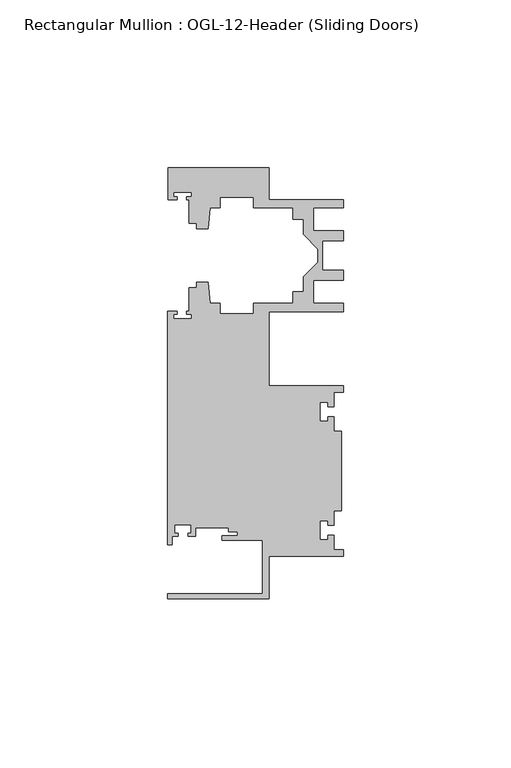
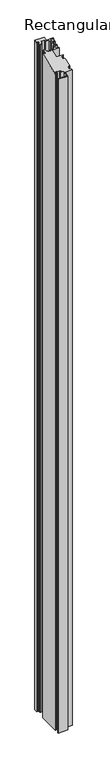
"""IFC4 building model written with IfcOpenShell, lengths in millimetres: member geometry, Rectangular Mullion : OGL-12-Header (Sliding Doors)."""

from ifc_helpers import new_model, si_unit, origin, place, context, project, spatial, faceted_brep, source, transform, mapped, element, save


def rectangular_mullion_ogl_12_header_sliding_doors_9d346c4c(model_context):
    return source(origin(), model_context, "Body", "Brep", [
        faceted_brep([(0.0, -25.4, -2219.3259345), (-22.2332898, -25.4, -2219.3259345), (-22.2332898, -38.0996792, -2219.3259345), (-52.3921824, -38.0996792, -2219.3259345), (-52.3921824, -36.512516, -2219.3259345), (-24.0747898, -36.512516, -2219.3259345), (-24.0747898, -20.5916734, -2219.3259345), (-36.2104247, -20.5916734, -2219.3259345), (-36.2104247, -19.3006707, -2219.3259345), (-31.5444935, -19.3006707, -2219.3259345), (-31.5444935, -18.1510261, -2219.3259345), (-34.2833684, -18.1510261, -2219.3259345), (-34.2833684, -16.8641675, -2219.3259345), (-44.1094055, -16.8641675, -2219.3259345), (-44.1094055, -19.4824275, -2219.3259345), (-46.3304245, -19.4824275, -2219.3259345), (-46.3304245, -18.4751625, -2219.3259345), (-45.359407, -18.4751625, -2219.3259345), (-45.359407, -15.9751675, -2219.3259345), (-50.359397, -15.9751675, -2219.3259345), (-50.359397, -18.4751625, -2219.3259345), (-49.3568347, -18.4751625, -2219.3259345), (-49.3568347, -19.4824275, -2219.3259345), (-51.1362531, -19.4824275, -2219.3259345), (-51.1362531, -21.9710976, -2219.3259345), (-52.3921824, -21.9710976, -2219.3259345), (-52.3921824, 47.583496, -2219.3259345), (-49.5910554, 47.583496, -2219.3259345), (-49.5910554, 46.7096046, -2219.3259345), (-50.6220715, 46.7096046, -2219.3259345), (-50.6220715, 45.3318149, -2219.3259345), (-45.3220715, 45.3318149, -2219.3259345), (-45.3220715, 46.7096046, -2219.3259345), (-46.769305, 46.7096046, -2219.3259345), (-46.769305, 47.583496, -2219.3259345), (-45.9710366, 47.583496, -2219.3259345), (-45.9710366, 54.6622994, -2219.3259345), (-43.7582575, 54.6622994, -2219.3259345), (-43.7582575, 56.213352, -2219.3259345), (-40.3395523, 56.213352, -2219.3259345), (-39.7961967, 50.0027691, -2219.3259345), (-36.8419772, 50.0027691, -2219.3259345), (-36.8419772, 46.838352, -2219.3259345), (-26.7462575, 46.838352, -2219.3259345), (-26.7462575, 50.013352, -2219.3259345), (-15.0768765, 50.013352, -2219.3259345), (-15.0768765, 53.413352, -2219.3259345), (-11.8582575, 53.413352, -2219.3259345), (-11.8582575, 57.8946468, -2219.3259345), (-7.4980859, 62.2548184, -2219.3259345), (-7.4980859, 66.1340176, -2219.3259345), (-11.8582575, 70.4941892, -2219.3259345), (-11.8582575, 74.975484, -2219.3259345), (-15.0768765, 74.975484, -2219.3259345), (-15.0768765, 78.375484, -2219.3259345), (-26.7462575, 78.375484, -2219.3259345), (-26.7462575, 81.550484, -2219.3259345), (-36.8419772, 81.550484, -2219.3259345), (-36.8419772, 78.3860669, -2219.3259345), (-39.7961967, 78.3860669, -2219.3259345), (-40.3395523, 72.175484, -2219.3259345), (-43.7582575, 72.175484, -2219.3259345), (-43.7582575, 73.7629518, -2219.3259345), (-45.9710366, 73.7629518, -2219.3259345), (-45.9710366, 80.7425364, -2219.3259345), (-46.8181909, 80.7425364, -2219.3259345), (-46.8181909, 81.7156466, -2219.3259345), (-45.3220715, 81.7156466, -2219.3259345), (-45.3220715, 83.0934363, -2219.3259345), (-50.6220715, 83.0934363, -2219.3259345), (-50.6220715, 81.7156466, -2219.3259345), (-49.5692346, 81.7156466, -2219.3259345), (-49.5692346, 80.7425364, -2219.3259345), (-52.2095715, 80.7425364, -2219.3259345), (-52.2095715, 90.3252352, -2219.3259345), (-22.2032575, 90.3252352, -2219.3259345), (-22.2032575, 80.875484, -2219.3259345), (-0.0082575, 80.875484, -2219.3259345), (-0.0082575, 78.375484, -2219.3259345), (-8.8582575, 78.375484, -2219.3259345), (-8.8582575, 71.5325565, -2219.3259345), (-0.0082575, 71.5325565, -2219.3259345), (-0.0082575, 68.5325565, -2219.3259345), (-6.1582575, 68.5325565, -2219.3259345), (-6.1582575, 59.8562795, -2219.3259345), (-0.0082575, 59.8562795, -2219.3259345), (-0.0082575, 56.8562795, -2219.3259345), (-8.8582575, 56.8562795, -2219.3259345), (-8.8582575, 50.013352, -2219.3259345), (-0.0082575, 50.013352, -2219.3259345), (-0.0082575, 47.513352, -2219.3259345), (-22.2332898, 47.513352, -2219.3259345), (-22.2332898, 25.4, -2219.3259345), (0.0, 25.4, -2219.3259345), (0.0, 23.488176, -2219.3259345), (-2.740223, 23.488176, -2219.3259345), (-2.740223, 19.1395859, -2219.3259345), (-4.5407068, 19.1395859, -2219.3259345), (-4.5407068, 20.5271706, -2219.3259345), (-7.0406862, 20.5271706, -2219.3259345), (-7.0406862, 14.7651725, -2219.3259345), (-4.5407047, 14.7651725, -2219.3259345), (-4.5407047, 16.1605952, -2219.3259345), (-2.740223, 16.1605952, -2219.3259345), (-2.740223, 11.8041704, -2219.3259345), (-0.508, 11.8041704, -2219.3259345), (-0.508, -11.8041704, -2219.3259345), (-2.740223, -11.8041704, -2219.3259345), (-2.740223, -16.1605952, -2219.3259345), (-4.5407047, -16.1605952, -2219.3259345), (-4.5407047, -14.7651725, -2219.3259345), (-7.0406862, -14.7651725, -2219.3259345), (-7.0406862, -20.5271706, -2219.3259345), (-4.5407068, -20.5271706, -2219.3259345), (-4.5407068, -19.1395859, -2219.3259345), (-2.740223, -19.1395859, -2219.3259345), (-2.740223, -23.488176, -2219.3259345), (0.0, -23.488176, -2219.3259345), (0.0, -23.488176, -9.7291211), (0.0, -25.4, -10.5210245), (-2.740223, -23.488176, -9.7291211), (-2.740223, -19.1395859, -7.9278761), (-4.5407068, -19.1395859, -7.9278761), (-4.5407068, -20.5271706, -8.5026325), (-7.0406862, -20.5271706, -8.5026325), (-7.0406862, -14.7651725, -6.1159347), (-4.5407047, -14.7651725, -6.1159347), (-4.5407047, -16.1605952, -6.6939377), (-2.740223, -16.1605952, -6.6939377), (-2.740223, -11.8041704, -4.8894475), (-0.508, -11.8041704, -4.8894475), (-0.508, 11.8041704, 4.8894475), (-2.740223, 11.8041704, 4.8894475), (-2.740223, 16.1605952, 6.6939377), (-4.5407047, 16.1605952, 6.6939377), (-4.5407047, 14.7651725, 6.1159347), (-7.0406862, 14.7651725, 6.1159347), (-7.0406862, 20.5271706, 8.5026325), (-4.5407068, 20.5271706, 8.5026325), (-4.5407068, 19.1395859, 7.9278761), (-2.740223, 19.1395859, 7.9278761), (-2.740223, 23.488176, 9.7291211), (0.0, 23.488176, 9.7291211), (0.0, 25.4, 10.5210245), (-22.2332898, 25.4, 10.5210245), (-22.2332898, 47.513352, 19.6806748), (-0.0082575, 47.513352, 19.6806748), (-0.0082575, 50.013352, 20.7162087), (-8.8582575, 50.013352, 20.7162087), (-8.8582575, 56.8562795, 23.5506421), (-0.0082575, 56.8562795, 23.5506421), (-0.0082575, 59.8562795, 24.7932828), (-6.1582575, 59.8562795, 24.7932828), (-6.1582575, 68.5325565, 28.3871144), (-0.0082575, 68.5325565, 28.3871144), (-0.0082575, 71.5325565, 29.6297551), (-8.8582575, 71.5325565, 29.6297551), (-8.8582575, 78.375484, 32.4641884), (-0.0082575, 78.375484, 32.4641884), (-0.0082575, 80.875484, 33.4997223), (-22.2032575, 80.875484, 33.4997223), (-22.2032575, 90.3252352, 37.4139374), (-52.2095715, 90.3252352, 37.4139374), (-52.2095715, 80.7425364, 33.4446536), (-49.5692346, 80.7425364, 33.4446536), (-49.5692346, 81.7156466, 33.8477291), (-50.6220715, 81.7156466, 33.8477291), (-50.6220715, 83.0934363, 34.4184283), (-45.3220715, 83.0934363, 34.4184283), (-45.3220715, 81.7156466, 33.8477291), (-46.8181909, 81.7156466, 33.8477291), (-46.8181909, 80.7425364, 33.4446536), (-45.9710366, 80.7425364, 33.4446536), (-45.9710366, 73.7629518, 30.553615), (-43.7582575, 73.7629518, 30.553615), (-43.7582575, 72.175484, 29.8960644), (-40.3395523, 72.175484, 29.8960644), (-39.7961967, 78.3860669, 32.468572), (-36.8419772, 78.3860669, 32.468572), (-36.8419772, 81.550484, 33.7793165), (-26.7462575, 81.550484, 33.7793165), (-26.7462575, 78.375484, 32.4641884), (-15.0768765, 78.375484, 32.4641884), (-15.0768765, 74.975484, 31.0558623), (-11.8582575, 74.975484, 31.0558623), (-11.8582575, 70.4941892, 29.1996492), (-7.4980859, 66.1340176, 27.393607), (-7.4980859, 62.2548184, 25.7867901), (-11.8582575, 57.8946468, 23.9807479), (-11.8582575, 53.413352, 22.1245348), (-15.0768765, 53.413352, 22.1245348), (-15.0768765, 50.013352, 20.7162087), (-26.7462575, 50.013352, 20.7162087), (-26.7462575, 46.838352, 19.4010806), (-36.8419772, 46.838352, 19.4010806), (-36.8419772, 50.0027691, 20.7118251), (-39.7961967, 50.0027691, 20.7118251), (-40.3395523, 56.213352, 23.2843328), (-43.7582575, 56.213352, 23.2843328), (-43.7582575, 54.6622994, 22.6418658), (-45.9710366, 54.6622994, 22.6418658), (-45.9710366, 47.583496, 19.7097294), (-46.769305, 47.583496, 19.7097294), (-46.769305, 46.7096046, 19.3477517), (-45.3220715, 46.7096046, 19.3477517), (-45.3220715, 45.3318149, 18.7770525), (-50.6220715, 45.3318149, 18.7770525), (-50.6220715, 46.7096046, 19.3477517), (-49.5910554, 46.7096046, 19.3477517), (-49.5910554, 47.583496, 19.7097294), (-52.3921824, 47.583496, 19.7097294), (-52.3921824, -21.9710976, -9.1007266), (-51.1362531, -21.9710976, -9.1007266), (-51.1362531, -19.4824275, -8.0698857), (-49.3568347, -19.4824275, -8.0698857), (-49.3568347, -18.4751625, -7.6526629), (-50.359397, -18.4751625, -7.6526629), (-50.359397, -15.9751675, -6.617131), (-45.359407, -15.9751675, -6.617131), (-45.359407, -18.4751625, -7.6526629), (-46.3304245, -18.4751625, -7.6526629), (-46.3304245, -19.4824275, -8.0698857), (-44.1094055, -19.4824275, -8.0698857), (-44.1094055, -16.8641675, -6.9853669), (-34.2833684, -16.8641675, -6.9853669), (-34.2833684, -18.1510261, -7.5184012), (-31.5444935, -18.1510261, -7.5184012), (-31.5444935, -19.3006707, -7.9945996), (-36.2104247, -19.3006707, -7.9945996), (-36.2104247, -20.5916734, -8.5293504), (-24.0747898, -20.5916734, -8.5293504), (-24.0747898, -36.512516, -15.1239793), (-52.3921824, -36.512516, -15.1239793), (-52.3921824, -38.0996792, -15.7814038), (-22.2332898, -38.0996792, -15.7814038), (-22.2332898, -25.4, -10.5210245)], [[[0, 1, 2, 3, 4, 5, 6, 7, 8, 9, 10, 11, 12, 13, 14, 15, 16, 17, 18, 19, 20, 21, 22, 23, 24, 25, 26, 27, 28, 29, 30, 31, 32, 33, 34, 35, 36, 37, 38, 39, 40, 41, 42, 43, 44, 45, 46, 47, 48, 49, 50, 51, 52, 53, 54, 55, 56, 57, 58, 59, 60, 61, 62, 63, 64, 65, 66, 67, 68, 69, 70, 71, 72, 73, 74, 75, 76, 77, 78, 79, 80, 81, 82, 83, 84, 85, 86, 87, 88, 89, 90, 91, 92, 93, 94, 95, 96, 97, 98, 99, 100, 101, 102, 103, 104, 105, 106, 107, 108, 109, 110, 111, 112, 113, 114, 115, 116, 117]], [[118, 119, 0, 117]], [[120, 118, 117, 116]], [[121, 120, 116, 115]], [[122, 121, 115, 114]], [[123, 122, 114, 113]], [[124, 123, 113, 112]], [[125, 124, 112, 111]], [[126, 125, 111, 110]], [[127, 126, 110, 109]], [[128, 127, 109, 108]], [[129, 128, 108, 107]], [[130, 129, 107, 106]], [[131, 130, 106, 105]], [[132, 131, 105, 104]], [[133, 132, 104, 103]], [[134, 133, 103, 102]], [[135, 134, 102, 101]], [[136, 135, 101, 100]], [[137, 136, 100, 99]], [[138, 137, 99, 98]], [[139, 138, 98, 97]], [[140, 139, 97, 96]], [[141, 140, 96, 95]], [[142, 141, 95, 94]], [[143, 142, 94, 93]], [[144, 143, 93, 92]], [[145, 144, 92, 91]], [[146, 145, 91, 90]], [[147, 146, 90, 89]], [[148, 147, 89, 88]], [[149, 148, 88, 87]], [[150, 149, 87, 86]], [[151, 150, 86, 85]], [[152, 151, 85, 84]], [[153, 152, 84, 83]], [[154, 153, 83, 82]], [[155, 154, 82, 81]], [[156, 155, 81, 80]], [[157, 156, 80, 79]], [[158, 157, 79, 78]], [[159, 158, 78, 77]], [[160, 159, 77, 76]], [[161, 160, 76, 75]], [[162, 161, 75, 74]], [[163, 162, 74, 73]], [[164, 163, 73, 72]], [[165, 164, 72, 71]], [[166, 165, 71, 70]], [[167, 166, 70, 69]], [[168, 167, 69, 68]], [[169, 168, 68, 67]], [[170, 169, 67, 66]], [[171, 170, 66, 65]], [[172, 171, 65, 64]], [[173, 172, 64, 63]], [[174, 173, 63, 62]], [[175, 174, 62, 61]], [[176, 175, 61, 60]], [[177, 176, 60, 59]], [[178, 177, 59, 58]], [[179, 178, 58, 57]], [[180, 179, 57, 56]], [[181, 180, 56, 55]], [[182, 181, 55, 54]], [[183, 182, 54, 53]], [[184, 183, 53, 52]], [[185, 184, 52, 51]], [[186, 185, 51, 50]], [[187, 186, 50, 49]], [[188, 187, 49, 48]], [[189, 188, 48, 47]], [[190, 189, 47, 46]], [[191, 190, 46, 45]], [[192, 191, 45, 44]], [[193, 192, 44, 43]], [[194, 193, 43, 42]], [[195, 194, 42, 41]], [[196, 195, 41, 40]], [[197, 196, 40, 39]], [[198, 197, 39, 38]], [[199, 198, 38, 37]], [[200, 199, 37, 36]], [[201, 200, 36, 35]], [[202, 201, 35, 34]], [[203, 202, 34, 33]], [[204, 203, 33, 32]], [[205, 204, 32, 31]], [[206, 205, 31, 30]], [[207, 206, 30, 29]], [[208, 207, 29, 28]], [[209, 208, 28, 27]], [[210, 209, 27, 26]], [[211, 210, 26, 25]], [[212, 211, 25, 24]], [[213, 212, 24, 23]], [[214, 213, 23, 22]], [[215, 214, 22, 21]], [[216, 215, 21, 20]], [[217, 216, 20, 19]], [[218, 217, 19, 18]], [[219, 218, 18, 17]], [[220, 219, 17, 16]], [[221, 220, 16, 15]], [[222, 221, 15, 14]], [[223, 222, 14, 13]], [[224, 223, 13, 12]], [[225, 224, 12, 11]], [[226, 225, 11, 10]], [[227, 226, 10, 9]], [[228, 227, 9, 8]], [[229, 228, 8, 7]], [[230, 229, 7, 6]], [[231, 230, 6, 5]], [[232, 231, 5, 4]], [[233, 232, 4, 3]], [[234, 233, 3, 2]], [[235, 234, 2, 1]], [[119, 235, 1, 0]], [[119, 118, 120, 121, 122, 123, 124, 125, 126, 127, 128, 129, 130, 131, 132, 133, 134, 135, 136, 137, 138, 139, 140, 141, 142, 143, 144, 145, 146, 147, 148, 149, 150, 151, 152, 153, 154, 155, 156, 157, 158, 159, 160, 161, 162, 163, 164, 165, 166, 167, 168, 169, 170, 171, 172, 173, 174, 175, 176, 177, 178, 179, 180, 181, 182, 183, 184, 185, 186, 187, 188, 189, 190, 191, 192, 193, 194, 195, 196, 197, 198, 199, 200, 201, 202, 203, 204, 205, 206, 207, 208, 209, 210, 211, 212, 213, 214, 215, 216, 217, 218, 219, 220, 221, 222, 223, 224, 225, 226, 227, 228, 229, 230, 231, 232, 233, 234, 235]]]),
    ])


if __name__ == "__main__":
    model = new_model("IFC4")
    model_context = context("Model", 3, world=origin())
    ifc_project = project(units=[si_unit("LENGTHUNIT", "METRE", prefix="MILLI")], contexts=[model_context])
    site = spatial("IfcSite", under=ifc_project)
    building = spatial("IfcBuilding", under=site)
    placement = place(None, origin())
    rectangular_mullion_ogl_12_header_sliding_doors_shape = rectangular_mullion_ogl_12_header_sliding_doors_9d346c4c(model_context)
    element("IfcMember", 1, ObjectType="Rectangular Mullion : OGL-12-Header (Sliding Doors)", at=placement, inside=building, context=model_context, shape_type="MappedRepresentation", body=[
        mapped(rectangular_mullion_ogl_12_header_sliding_doors_shape, transform((0.0, 0.0, 0.0), x_axis=(1.0, 0.0, 0.0), y_axis=(0.0, 1.0, 0.0), z_axis=(0.0, 0.0, 1.0))),
    ])
    save(model, "model.ifc")
